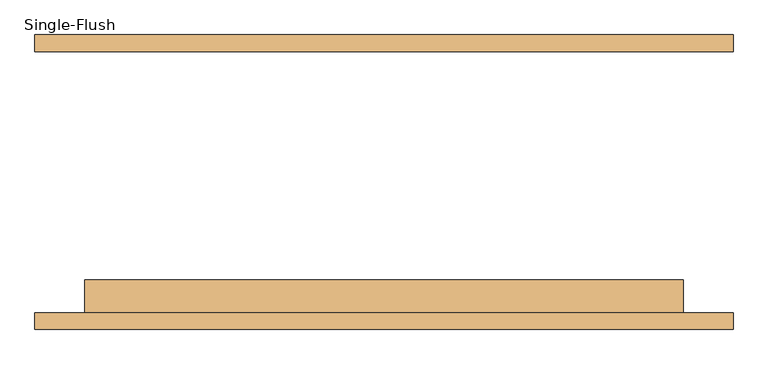
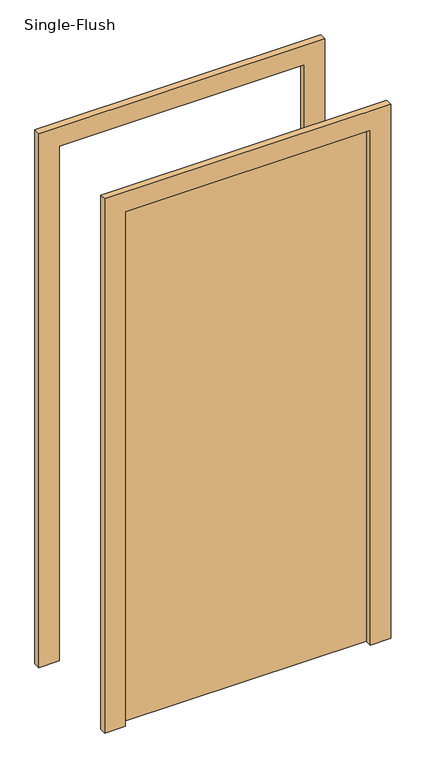
"""IFC4 building model written with IfcOpenShell, lengths in millimetres: door geometry, Single-Flush."""

from ifc_helpers import new_model, si_unit, frame, origin, origin_with_axes, place, context, project, spatial, polyline, outline, extrude, source, transform, mapped, element, save


def single_flush_48a25cca(model_context):
    return source(origin(), model_context, "Body", "SweptSolid", [
        extrude(outline(polyline([(2106.2, -533.4), (0.0, -533.4), (0.0, -457.2), (2030.0, -457.2), (2030.0, 457.2), (0.0, 457.2), (0.0, 533.4), (2106.2, 533.4), (2106.2, -533.4)])), frame((0.0, -225.4, 0.0), z_axis=(0.0, 1.0, 0.0), x_axis=(0.0, 0.0, 1.0)), (0.0, 0.0, 1.0), 25.4),
        extrude(outline(polyline([(2106.2, 533.4), (2106.2, -533.4), (0.0, -533.4), (0.0, -457.2), (2030.0, -457.2), (2030.0, 457.2), (0.0, 457.2), (0.0, 533.4), (2106.2, 533.4)])), frame((0.0, 200.0, 0.0), z_axis=(0.0, 1.0, 0.0), x_axis=(0.0, 0.0, 1.0)), (0.0, 0.0, 1.0), 25.4),
        extrude(outline(polyline([(457.2, -149.2), (457.2, -200.0), (-457.2, -200.0), (-457.2, -149.2), (457.2, -149.2)])), origin_with_axes(), (0.0, 0.0, 1.0), 2030.0),
    ])


if __name__ == "__main__":
    model = new_model("IFC4")
    model_context = context("Model", 3, world=origin())
    ifc_project = project(units=[si_unit("LENGTHUNIT", "METRE", prefix="MILLI")], contexts=[model_context])
    site = spatial("IfcSite", under=ifc_project)
    building = spatial("IfcBuilding", under=site)
    placement = place(None, origin())
    single_flush_shape = single_flush_48a25cca(model_context)
    element("IfcDoor", 1, ObjectType="Single-Flush", at=placement, inside=building, context=model_context, shape_type="MappedRepresentation", body=[
        mapped(single_flush_shape, transform((0.0, 0.0, 0.0), x_axis=(1.0, 0.0, 0.0), y_axis=(0.0, 1.0, 0.0), z_axis=(0.0, 0.0, 1.0))),
    ])
    save(model, "model.ifc")
